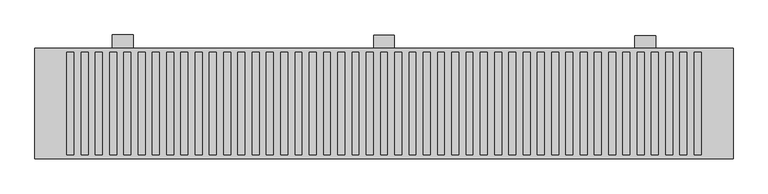
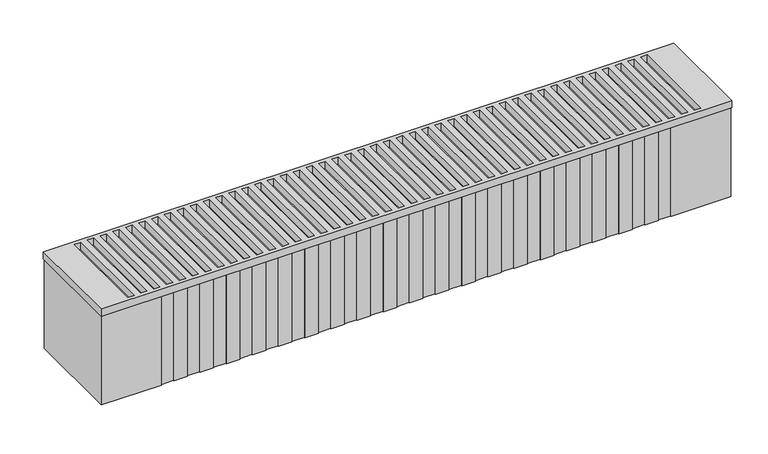
"""IFC4 building model written with IfcOpenShell, lengths in millimetres: proxy geometry."""

from ifc_helpers import new_model, si_unit, point, frame, frame_2d, origin, place, context, project, spatial, polyline, circle_curve, trimmed, segment, composite_curve, outline, extrude, source, transform, mapped, element, save


def mechanical_equipment_c25f8ca9(model_context):
    return source(origin(), model_context, "Body", "SweptSolid", [
        extrude(outline(polyline([(0.5, 230.0), (0.5, 100.0), (0.5, 80.0), (-50.5, 80.0), (-65.5, 100.0), (-19.5, 100.0), (-19.5, 230.0), (0.5, 230.0)])), frame((-115.0, 0.0, 0.0), z_axis=(1.0, 0.0, 0.0), x_axis=(0.0, 1.0, 0.0)), (0.0, 0.0, 1.0), 30.0),
        extrude(outline(polyline([(0.0, 230.0), (0.0, 100.0), (0.0, 80.0), (-51.0, 80.0), (-66.0, 100.0), (-20.0, 100.0), (-20.0, 230.0), (0.0, 230.0)])), frame((260.0, 0.0, 0.0), z_axis=(1.0, 0.0, 0.0), x_axis=(0.0, 1.0, 0.0)), (0.0, 0.0, 1.0), 30.0),
        extrude(outline(polyline([(1.0, 230.0), (1.0, 100.0), (1.0, 80.0), (-50.0, 80.0), (-65.0, 100.0), (-19.0, 100.0), (-19.0, 230.0), (1.0, 230.0)])), frame((-490.0, 0.0, 0.0), z_axis=(1.0, 0.0, 0.0), x_axis=(0.0, 1.0, 0.0)), (0.0, 0.0, 1.0), 30.0),
        extrude(outline(polyline([(401.0, -18.0), (401.0, -177.0), (-601.0, -177.0), (-601.0, -18.0), (401.0, -18.0)]), holes=[polyline([(345.0, -171.0), (355.0, -171.0), (355.0, -24.0), (345.0, -24.0), (345.0, -171.0)]), polyline([(-534.5454545, -171.0), (-524.5454545, -171.0), (-524.5454545, -24.0), (-534.5454545, -24.0), (-534.5454545, -171.0)]), polyline([(-514.0909091, -171.0), (-504.0909091, -171.0), (-504.0909091, -24.0), (-514.0909091, -24.0), (-514.0909091, -171.0)]), polyline([(-493.6363636, -171.0), (-483.6363636, -171.0), (-483.6363636, -24.0), (-493.6363636, -24.0), (-493.6363636, -171.0)]), polyline([(-473.1818182, -171.0), (-463.1818182, -171.0), (-463.1818182, -24.0), (-473.1818182, -24.0), (-473.1818182, -171.0)]), polyline([(-452.7272727, -171.0), (-442.7272727, -171.0), (-442.7272727, -24.0), (-452.7272727, -24.0), (-452.7272727, -171.0)]), polyline([(-432.2727273, -171.0), (-422.2727273, -171.0), (-422.2727273, -24.0), (-432.2727273, -24.0), (-432.2727273, -171.0)]), polyline([(-411.8181818, -171.0), (-401.8181818, -171.0), (-401.8181818, -24.0), (-411.8181818, -24.0), (-411.8181818, -171.0)]), polyline([(-391.3636364, -171.0), (-381.3636364, -171.0), (-381.3636364, -24.0), (-391.3636364, -24.0), (-391.3636364, -171.0)]), polyline([(-370.9090909, -171.0), (-360.9090909, -171.0), (-360.9090909, -24.0), (-370.9090909, -24.0), (-370.9090909, -171.0)]), polyline([(-350.4545455, -171.0), (-340.4545455, -171.0), (-340.4545455, -24.0), (-350.4545455, -24.0), (-350.4545455, -171.0)]), polyline([(-330.0, -171.0), (-320.0, -171.0), (-320.0, -24.0), (-330.0, -24.0), (-330.0, -171.0)]), polyline([(-309.5454545, -171.0), (-299.5454545, -171.0), (-299.5454545, -24.0), (-309.5454545, -24.0), (-309.5454545, -171.0)]), polyline([(-289.0909091, -171.0), (-279.0909091, -171.0), (-279.0909091, -24.0), (-289.0909091, -24.0), (-289.0909091, -171.0)]), polyline([(-268.6363636, -171.0), (-258.6363636, -171.0), (-258.6363636, -24.0), (-268.6363636, -24.0), (-268.6363636, -171.0)]), polyline([(-248.1818182, -171.0), (-238.1818182, -171.0), (-238.1818182, -24.0), (-248.1818182, -24.0), (-248.1818182, -171.0)]), polyline([(-227.7272727, -171.0), (-217.7272727, -171.0), (-217.7272727, -24.0), (-227.7272727, -24.0), (-227.7272727, -171.0)]), polyline([(-207.2727273, -171.0), (-197.2727273, -171.0), (-197.2727273, -24.0), (-207.2727273, -24.0), (-207.2727273, -171.0)]), polyline([(-186.8181818, -171.0), (-176.8181818, -171.0), (-176.8181818, -24.0), (-186.8181818, -24.0), (-186.8181818, -171.0)]), polyline([(-166.3636364, -171.0), (-156.3636364, -171.0), (-156.3636364, -24.0), (-166.3636364, -24.0), (-166.3636364, -171.0)]), polyline([(-145.9090909, -171.0), (-135.9090909, -171.0), (-135.9090909, -24.0), (-145.9090909, -24.0), (-145.9090909, -171.0)]), polyline([(-125.4545455, -171.0), (-115.4545455, -171.0), (-115.4545455, -24.0), (-125.4545455, -24.0), (-125.4545455, -171.0)]), polyline([(-105.0, -171.0), (-95.0, -171.0), (-95.0, -24.0), (-105.0, -24.0), (-105.0, -171.0)]), polyline([(-84.5454545, -171.0), (-74.5454545, -171.0), (-74.5454545, -24.0), (-84.5454545, -24.0), (-84.5454545, -171.0)]), polyline([(-64.0909091, -171.0), (-54.0909091, -171.0), (-54.0909091, -24.0), (-64.0909091, -24.0), (-64.0909091, -171.0)]), polyline([(-43.6363636, -171.0), (-33.6363636, -171.0), (-33.6363636, -24.0), (-43.6363636, -24.0), (-43.6363636, -171.0)]), polyline([(-23.1818182, -171.0), (-13.1818182, -171.0), (-13.1818182, -24.0), (-23.1818182, -24.0), (-23.1818182, -171.0)]), polyline([(-2.7272727, -171.0), (7.2727273, -171.0), (7.2727273, -24.0), (-2.7272727, -24.0), (-2.7272727, -171.0)]), polyline([(17.7272727, -171.0), (27.7272727, -171.0), (27.7272727, -24.0), (17.7272727, -24.0), (17.7272727, -171.0)]), polyline([(38.1818182, -171.0), (48.1818182, -171.0), (48.1818182, -24.0), (38.1818182, -24.0), (38.1818182, -171.0)]), polyline([(58.6363636, -171.0), (68.6363636, -171.0), (68.6363636, -24.0), (58.6363636, -24.0), (58.6363636, -171.0)]), polyline([(79.0909091, -171.0), (89.0909091, -171.0), (89.0909091, -24.0), (79.0909091, -24.0), (79.0909091, -171.0)]), polyline([(99.5454545, -171.0), (109.5454545, -171.0), (109.5454545, -24.0), (99.5454545, -24.0), (99.5454545, -171.0)]), polyline([(120.0, -171.0), (130.0, -171.0), (130.0, -24.0), (120.0, -24.0), (120.0, -171.0)]), polyline([(140.4545455, -171.0), (150.4545455, -171.0), (150.4545455, -24.0), (140.4545455, -24.0), (140.4545455, -171.0)]), polyline([(160.9090909, -171.0), (170.9090909, -171.0), (170.9090909, -24.0), (160.9090909, -24.0), (160.9090909, -171.0)]), polyline([(181.3636364, -171.0), (191.3636364, -171.0), (191.3636364, -24.0), (181.3636364, -24.0), (181.3636364, -171.0)]), polyline([(201.8181818, -171.0), (211.8181818, -171.0), (211.8181818, -24.0), (201.8181818, -24.0), (201.8181818, -171.0)]), polyline([(222.2727273, -171.0), (232.2727273, -171.0), (232.2727273, -24.0), (222.2727273, -24.0), (222.2727273, -171.0)]), polyline([(242.7272727, -171.0), (252.7272727, -171.0), (252.7272727, -24.0), (242.7272727, -24.0), (242.7272727, -171.0)]), polyline([(263.1818182, -171.0), (273.1818182, -171.0), (273.1818182, -24.0), (263.1818182, -24.0), (263.1818182, -171.0)]), polyline([(283.6363636, -171.0), (293.6363636, -171.0), (293.6363636, -24.0), (283.6363636, -24.0), (283.6363636, -171.0)]), polyline([(304.0909091, -171.0), (314.0909091, -171.0), (314.0909091, -24.0), (304.0909091, -24.0), (304.0909091, -171.0)]), polyline([(324.5454545, -171.0), (334.5454545, -171.0), (334.5454545, -24.0), (324.5454545, -24.0), (324.5454545, -171.0)]), polyline([(-555.0, -171.0), (-545.0, -171.0), (-545.0, -24.0), (-555.0, -24.0), (-555.0, -171.0)])]), frame((0.0, 0.0, 250.0), z_axis=(0.0, 0.0, 1.0), x_axis=(1.0, 0.0, 0.0)), (0.0, 0.0, 1.0), 12.0),
        extrude(outline(composite_curve([segment(trimmed(circle_curve(frame_2d((386.0, -57.0)), 7.5), [point((393.5, -57.0))], [point((378.5, -57.0))], False, "CARTESIAN"), True, "CONTINUOUS"), segment(trimmed(circle_curve(frame_2d((386.0, -57.0)), 7.5), [point((378.5, -57.0))], [point((393.5, -57.0))], False, "CARTESIAN"), True, "CONTINUOUS")], self_intersect=False)), frame((0.0, 0.0, 82.0), z_axis=(0.0, 0.0, 1.0), x_axis=(1.0, 0.0, 0.0)), (0.0, 0.0, 1.0), 20.0),
        extrude(outline(composite_curve([segment(trimmed(circle_curve(frame_2d((336.0, -57.0)), 7.5), [point((343.5, -57.0))], [point((328.5, -57.0))], False, "CARTESIAN"), True, "CONTINUOUS"), segment(trimmed(circle_curve(frame_2d((336.0, -57.0)), 7.5), [point((328.5, -57.0))], [point((343.5, -57.0))], False, "CARTESIAN"), True, "CONTINUOUS")], self_intersect=False)), frame((0.0, 0.0, 82.0), z_axis=(0.0, 0.0, 1.0), x_axis=(1.0, 0.0, 0.0)), (0.0, 0.0, 1.0), 20.0),
        extrude(outline(polyline([(400.0, -19.0), (400.0, -176.0), (305.0, -176.0), (305.0, -175.0), (285.0, -175.0), (285.0, -176.0), (263.4210526, -176.0), (263.4210526, -175.0), (243.4210526, -175.0), (243.4210526, -176.0), (221.8421053, -176.0), (221.8421053, -175.0), (201.8421053, -175.0), (201.8421053, -176.0), (180.2631579, -176.0), (180.2631579, -175.0), (160.2631579, -175.0), (160.2631579, -176.0), (138.6842105, -176.0), (138.6842105, -175.0), (118.6842105, -175.0), (118.6842105, -176.0), (97.1052632, -176.0), (97.1052632, -175.0), (77.1052632, -175.0), (77.1052632, -176.0), (55.5263158, -176.0), (55.5263158, -175.0), (35.5263158, -175.0), (35.5263158, -176.0), (13.9473684, -176.0), (13.9473684, -175.0), (-6.0526316, -175.0), (-6.0526316, -176.0), (-27.6315789, -176.0), (-27.6315789, -175.0), (-47.6315789, -175.0), (-47.6315789, -176.0), (-69.2105263, -176.0), (-69.2105263, -175.0), (-89.2105263, -175.0), (-89.2105263, -176.0), (-110.7894737, -176.0), (-110.7894737, -175.0), (-130.7894737, -175.0), (-130.7894737, -176.0), (-152.3684211, -176.0), (-152.3684211, -175.0), (-172.3684211, -175.0), (-172.3684211, -176.0), (-193.9473684, -176.0), (-193.9473684, -175.0), (-213.9473684, -175.0), (-213.9473684, -176.0), (-235.5263158, -176.0), (-235.5263158, -175.0), (-255.5263158, -175.0), (-255.5263158, -176.0), (-277.1052632, -176.0), (-277.1052632, -175.0), (-297.1052632, -175.0), (-297.1052632, -176.0), (-318.6842105, -176.0), (-318.6842105, -175.0), (-338.6842105, -175.0), (-338.6842105, -176.0), (-360.2631579, -176.0), (-360.2631579, -175.0), (-380.2631579, -175.0), (-380.2631579, -176.0), (-401.8421053, -176.0), (-401.8421053, -175.0), (-421.8421053, -175.0), (-421.8421053, -176.0), (-443.4210526, -176.0), (-443.4210526, -175.0), (-463.4210526, -175.0), (-463.4210526, -176.0), (-485.0, -176.0), (-485.0, -175.0), (-505.0, -175.0), (-505.0, -176.0), (-600.0, -176.0), (-600.0, -19.0), (400.0, -19.0)])), frame((0.0, 0.0, 100.0), z_axis=(0.0, 0.0, 1.0), x_axis=(1.0, 0.0, 0.0)), (0.0, 0.0, 1.0), 150.0),
    ])


if __name__ == "__main__":
    model = new_model("IFC4")
    model_context = context("Model", 3, world=origin())
    ifc_project = project(units=[si_unit("LENGTHUNIT", "METRE", prefix="MILLI")], contexts=[model_context])
    site = spatial("IfcSite", under=ifc_project)
    building = spatial("IfcBuilding", under=site)
    placement = place(None, origin())
    mechanical_equipment_shape = mechanical_equipment_c25f8ca9(model_context)
    element("IfcBuildingElementProxy", 1, Name="Mechanical Equipment", at=placement, inside=building, context=model_context, shape_type="MappedRepresentation", body=[
        mapped(mechanical_equipment_shape, transform((0.0, 0.0, 0.0), x_axis=(1.0, 0.0, 0.0), y_axis=(0.0, 1.0, 0.0), z_axis=(0.0, 0.0, 1.0))),
    ])
    save(model, "model.ifc")
